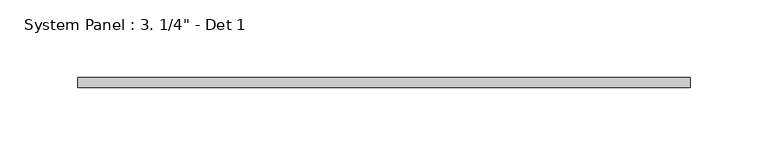
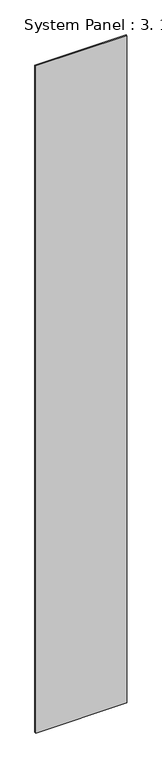
"""IFC4 building model written with IfcOpenShell, lengths in millimetres: plate geometry."""

from ifc_helpers import new_model, si_unit, origin, origin_with_axes, place, context, project, spatial, polyline, outline, extrude, source, transform, mapped, element, save


def plate_746e52bd(model_context):
    return source(origin(), model_context, "Body", "SweptSolid", [
        extrude(outline(polyline([(196.85, -6.35), (-196.85, -6.35), (-196.85, 0.0), (196.85, 0.0), (196.85, -6.35)])), origin_with_axes(), (0.0, 0.0, 1.0), 3048.0),
    ])


if __name__ == "__main__":
    model = new_model("IFC4")
    model_context = context("Model", 3, world=origin())
    ifc_project = project(units=[si_unit("LENGTHUNIT", "METRE", prefix="MILLI")], contexts=[model_context])
    site = spatial("IfcSite", under=ifc_project)
    building = spatial("IfcBuilding", under=site)
    placement = place(None, origin())
    plate_shape = plate_746e52bd(model_context)
    element("IfcPlate", 1, ObjectType="System Panel : 3. 1/4\" - Det 1", at=placement, inside=building, context=model_context, shape_type="MappedRepresentation", body=[
        mapped(plate_shape, transform((0.0, 0.0, 0.0), x_axis=(1.0, 0.0, 0.0), y_axis=(0.0, 1.0, 0.0), z_axis=(0.0, 0.0, 1.0))),
    ])
    save(model, "model.ifc")
